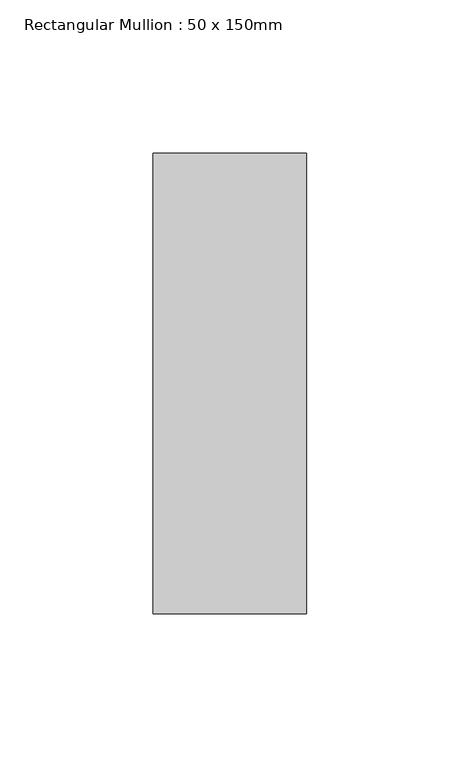
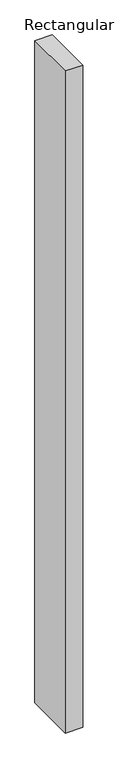
"""IFC4 building model written with IfcOpenShell, lengths in millimetres: member geometry, Rectangular Mullion : 50 x 150mm."""

from ifc_helpers import new_model, si_unit, frame, origin, place, context, project, spatial, polyline, outline, extrude, source, transform, mapped, element, save


def rectangular_mullion_50_x_150mm_3a148f0f(model_context):
    return source(origin(), model_context, "Body", "SweptSolid", [
        extrude(outline(polyline([(25.0, 75.0), (25.0, -75.0), (-25.0, -75.0), (-25.0, 75.0), (25.0, 75.0)])), frame((0.0, 0.0, -2000.0), z_axis=(0.0, 0.0, 1.0), x_axis=(1.0, 0.0, 0.0)), (0.0, 0.0, 1.0), 2000.0),
    ])


if __name__ == "__main__":
    model = new_model("IFC4")
    model_context = context("Model", 3, world=origin())
    ifc_project = project(units=[si_unit("LENGTHUNIT", "METRE", prefix="MILLI")], contexts=[model_context])
    site = spatial("IfcSite", under=ifc_project)
    building = spatial("IfcBuilding", under=site)
    placement = place(None, origin())
    rectangular_mullion_50_x_150mm_shape = rectangular_mullion_50_x_150mm_3a148f0f(model_context)
    element("IfcMember", 1, ObjectType="Rectangular Mullion : 50 x 150mm", at=placement, inside=building, context=model_context, shape_type="MappedRepresentation", body=[
        mapped(rectangular_mullion_50_x_150mm_shape, transform((0.0, 0.0, 0.0), x_axis=(1.0, 0.0, 0.0), y_axis=(0.0, 1.0, 0.0), z_axis=(0.0, 0.0, 1.0))),
    ])
    save(model, "model.ifc")
